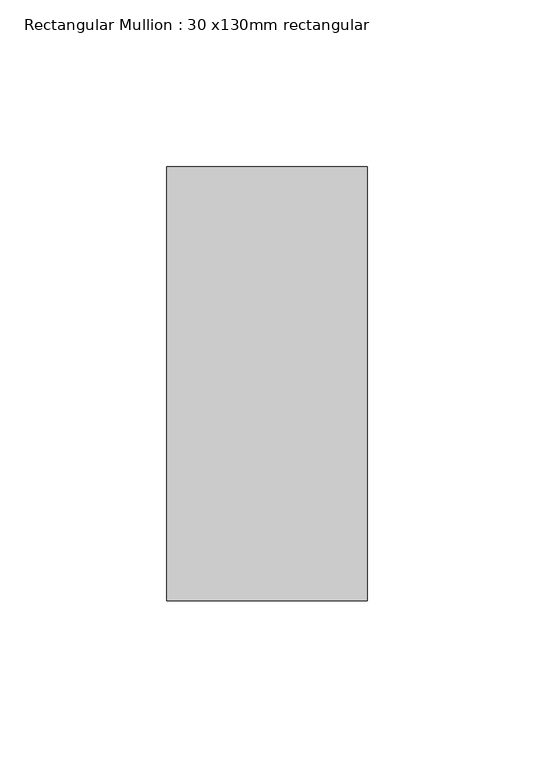
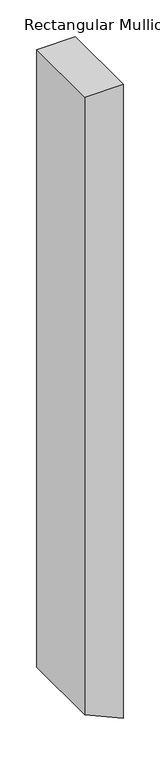
"""IFC4 building model written with IfcOpenShell, lengths in millimetres: member geometry, Rectangular Mullion : 30 x130mm rectangular."""

from ifc_helpers import new_model, si_unit, frame, origin, place, context, project, spatial, polyline, outline, extrude, source, transform, mapped, element, save


def rectangular_mullion_30_x130mm_rectangular_4b6bb40d(model_context):
    return source(origin(), model_context, "Body", "SweptSolid", [
        extrude(outline(polyline([(0.0, 0.0), (0.0, -60.0), (-1023.0139846, -60.0), (-1050.4249997, 0.0), (0.0, 0.0)])), frame((0.0, -65.0, 0.0), z_axis=(0.0, 1.0, 0.0), x_axis=(0.0, 0.0, 1.0)), (0.0, 0.0, 1.0), 130.0),
    ])


if __name__ == "__main__":
    model = new_model("IFC4")
    model_context = context("Model", 3, world=origin())
    ifc_project = project(units=[si_unit("LENGTHUNIT", "METRE", prefix="MILLI")], contexts=[model_context])
    site = spatial("IfcSite", under=ifc_project)
    building = spatial("IfcBuilding", under=site)
    placement = place(None, origin())
    rectangular_mullion_30_x130mm_rectangular_shape = rectangular_mullion_30_x130mm_rectangular_4b6bb40d(model_context)
    element("IfcMember", 1, ObjectType="Rectangular Mullion : 30 x130mm rectangular", at=placement, inside=building, context=model_context, shape_type="MappedRepresentation", body=[
        mapped(rectangular_mullion_30_x130mm_rectangular_shape, transform((0.0, 0.0, 0.0), x_axis=(1.0, 0.0, 0.0), y_axis=(0.0, 1.0, 0.0), z_axis=(0.0, 0.0, 1.0))),
    ])
    save(model, "model.ifc")
